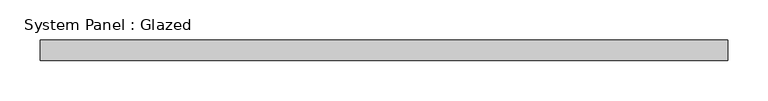
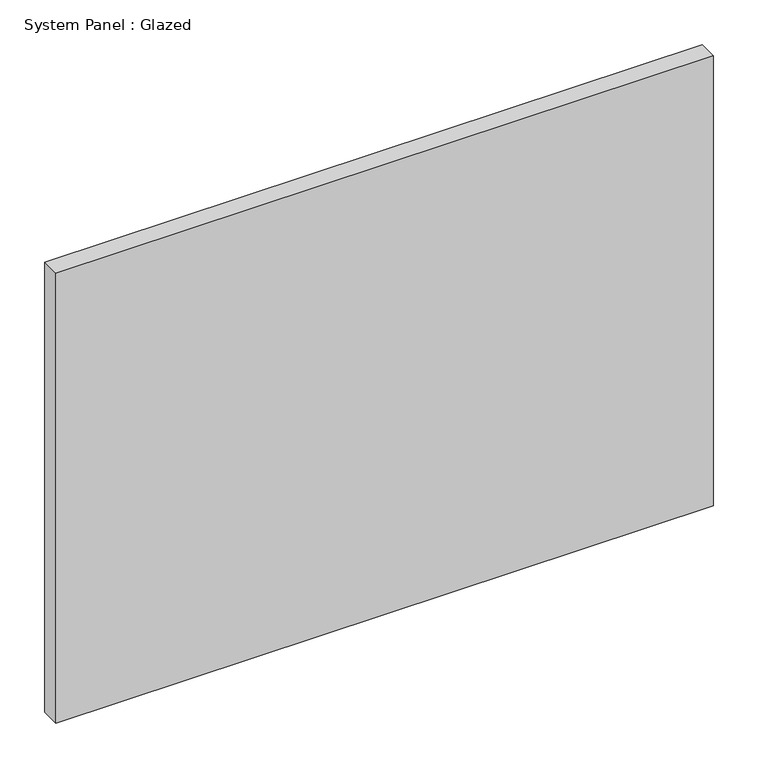
"""IFC4 building model written with IfcOpenShell, lengths in millimetres: plate geometry, System Panel : Glazed."""

from ifc_helpers import new_model, si_unit, origin, origin_with_axes, place, context, project, spatial, polyline, outline, extrude, source, transform, mapped, element, save


def system_panel_glazed_2a37ce5c(model_context):
    return source(origin(), model_context, "Body", "SweptSolid", [
        extrude(outline(polyline([(425.0, 24.5), (-425.0, 24.5), (-425.0, 49.5), (425.0, 49.5), (425.0, 24.5)])), origin_with_axes(), (0.0, 0.0, 1.0), 615.0),
    ])


if __name__ == "__main__":
    model = new_model("IFC4")
    model_context = context("Model", 3, world=origin())
    ifc_project = project(units=[si_unit("LENGTHUNIT", "METRE", prefix="MILLI")], contexts=[model_context])
    site = spatial("IfcSite", under=ifc_project)
    building = spatial("IfcBuilding", under=site)
    placement = place(None, origin())
    system_panel_glazed_shape = system_panel_glazed_2a37ce5c(model_context)
    element("IfcPlate", 1, ObjectType="System Panel : Glazed", at=placement, inside=building, context=model_context, shape_type="MappedRepresentation", body=[
        mapped(system_panel_glazed_shape, transform((0.0, 0.0, 0.0), x_axis=(1.0, 0.0, 0.0), y_axis=(0.0, 1.0, 0.0), z_axis=(0.0, 0.0, 1.0))),
    ])
    save(model, "model.ifc")
